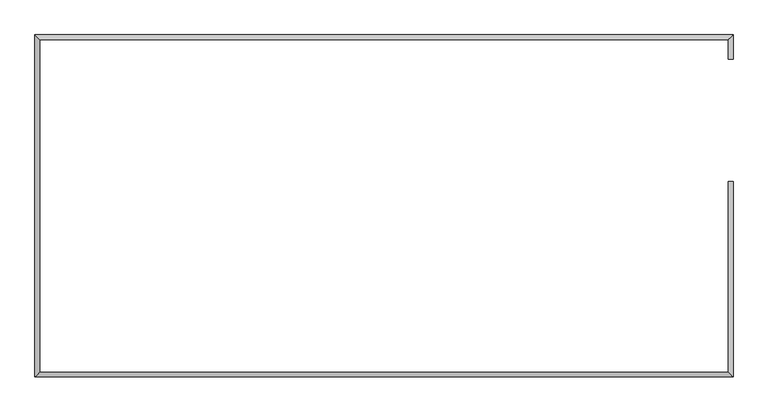
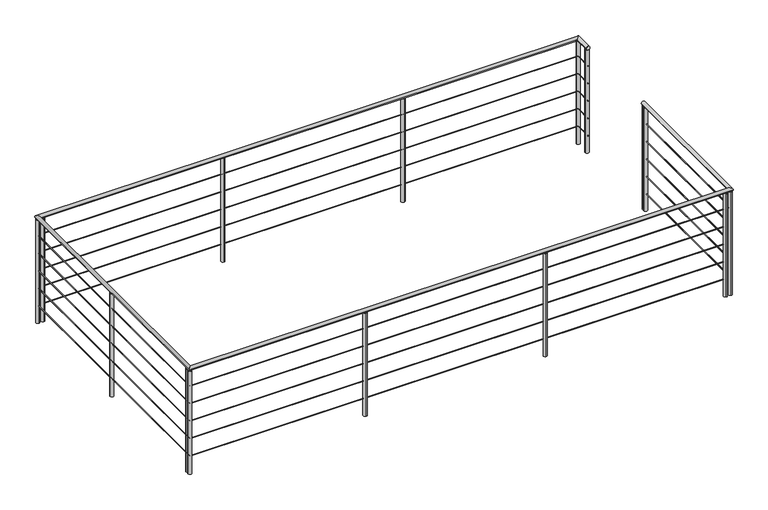
"""IFC4 building model written with IfcOpenShell, lengths in millimetres: railing geometry."""

from ifc_helpers import new_model, si_unit, point, frame, frame_2d, origin, place, context, project, spatial, circle_curve, ellipse_curve, trimmed, segment, composite_curve, outline, extrude, source, transform, mapped, element, save
from ifc_brep_helpers import plane_surface, cylinder_surface, advanced_brep


def railing_6d782d35(model_context):
    return source(origin(), model_context, "Body", "SolidModel", [
        advanced_brep(
        [(43124.2418862, 6156.4312128, 4200.0), (43164.2418862, 6196.4312128, 4200.0), (37274.2418862, 6196.4312128, 4200.0), (37314.2418862, 6156.4312128, 4200.0), (37274.2418862, 3306.4312128, 4200.0), (37314.2418862, 3346.4312128, 4200.0), (43164.2418862, 3306.4312128, 4200.0), (43124.2418862, 3346.4312128, 4200.0), (43124.2418862, 4957.0018587, 4200.0), (43164.2418862, 4957.0018587, 4200.0), (43124.2418862, 5991.4312128, 4200.0), (43164.2418862, 5991.4312128, 4200.0)],
        [
            (0, 1, ellipse_curve(frame((43144.2418862, 6176.4312128, 4200.0), z_axis=(-0.7071067811865465, 0.7071067811865487, 0.0), x_axis=(0.7071067811865485, 0.7071067811865466, 0.0)), 28.2842712, 20.0)),
            (1, 2),
            (2, 3, ellipse_curve(frame((37294.2418862, 6176.4312128, 4200.0), z_axis=(0.7071067811865491, 0.7071067811865458, 0.0), x_axis=(0.707106781186546, -0.7071067811865489, 0.0)), 28.2842712, 20.0)),
            (3, 0),
            (1, 0, ellipse_curve(frame((43144.2418862, 6176.4312128, 4200.0), z_axis=(-0.7071067811865465, 0.7071067811865487, 0.0), x_axis=(0.7071067811865485, 0.7071067811865466, 0.0)), 28.2842712, 20.0)),
            (3, 2, ellipse_curve(frame((37294.2418862, 6176.4312128, 4200.0), z_axis=(0.7071067811865491, 0.7071067811865458, 0.0), x_axis=(0.707106781186546, -0.7071067811865489, 0.0)), 28.2842712, 20.0)),
            (2, 4),
            (4, 5, ellipse_curve(frame((37294.2418862, 3326.4312128, 4200.0), z_axis=(-0.7071067811865458, 0.7071067811865492, 0.0), x_axis=(0.7071067811865492, 0.7071067811865458, 0.0)), 28.2842712, 20.0)),
            (5, 3),
            (5, 4, ellipse_curve(frame((37294.2418862, 3326.4312128, 4200.0), z_axis=(-0.7071067811865458, 0.7071067811865492, 0.0), x_axis=(0.7071067811865492, 0.7071067811865458, 0.0)), 28.2842712, 20.0)),
            (4, 6),
            (6, 7, ellipse_curve(frame((43144.2418862, 3326.4312128, 4200.0), z_axis=(-0.7071067811865487, -0.7071067811865464, 0.0), x_axis=(-0.7071067811865464, 0.7071067811865487, 0.0)), 28.2842712, 20.0)),
            (7, 5),
            (7, 6, ellipse_curve(frame((43144.2418862, 3326.4312128, 4200.0), z_axis=(-0.7071067811865487, -0.7071067811865464, 0.0), x_axis=(-0.7071067811865464, 0.7071067811865487, 0.0)), 28.2842712, 20.0)),
            (8, 9, circle_curve(frame((43144.2418862, 4957.0018587, 4200.0), z_axis=(0.0, 1.0, 0.0), x_axis=(1.0, 0.0, 0.0)), 20.0)),
            (9, 8, circle_curve(frame((43144.2418862, 4957.0018587, 4200.0), z_axis=(0.0, 1.0, 0.0), x_axis=(1.0, 0.0, 0.0)), 20.0)),
            (7, 8),
            (9, 6),
            (10, 11, circle_curve(frame((43144.2418862, 5991.4312128, 4200.0), z_axis=(0.0, -1.0, 0.0), x_axis=(1.0, 0.0, 0.0)), 20.0)),
            (11, 10, circle_curve(frame((43144.2418862, 5991.4312128, 4200.0), z_axis=(0.0, -1.0, 0.0), x_axis=(1.0, 0.0, 0.0)), 20.0)),
            (10, 0),
            (1, 11),
        ],
        [
            cylinder_surface(frame((43144.2418862, 6176.4312128, 4200.0), z_axis=(1.0, 0.0, 0.0), x_axis=(0.0, 1.0, 0.0)), 20.0),
            cylinder_surface(frame((37294.2418862, 6176.4312128, 4200.0), z_axis=(0.0, 1.0, 0.0), x_axis=(-1.0, 0.0, 0.0)), 20.0),
            cylinder_surface(frame((37294.2418862, 3326.4312128, 4200.0), z_axis=(-1.0, 0.0, 0.0), x_axis=(0.0, -1.0, 0.0)), 20.0),
            plane_surface(frame((43144.2418862, 4957.0018587, 4200.0), z_axis=(0.0, 1.0, 0.0), x_axis=(0.0, 0.0, 1.0))),
            cylinder_surface(frame((43144.2418862, 3326.4312128, 4200.0), z_axis=(0.0, -1.0, 0.0), x_axis=(1.0, 0.0, 0.0)), 20.0),
            plane_surface(frame((43144.2418862, 5991.4312128, 4200.0), z_axis=(0.0, -1.0, 0.0), x_axis=(0.0, 0.0, 1.0))),
            cylinder_surface(frame((43144.2418862, 5991.4312128, 4200.0), z_axis=(0.0, -1.0, 0.0), x_axis=(1.0, 0.0, 0.0)), 20.0),
        ],
        [
            (0, [[1, 2, 3, 4]]),
            (0, [[5, -4, 6, -2]]),
            (1, [[-3, 7, 8, 9]]),
            (1, [[-6, -9, 10, -7]]),
            (2, [[-8, 11, 12, 13]]),
            (2, [[-10, -13, 14, -11]]),
            (3, [[15, 16]]),
            (4, [[-14, 17, -16, 18]]),
            (4, [[-12, -18, -15, -17]]),
            (5, [[19, 20]]),
            (6, [[-19, 21, -5, 22]]),
            (6, [[-20, -22, -1, -21]]),
        ],
    ),
        advanced_brep(
        [(43147.2418862, 6179.4312128, 3997.0), (43141.2418862, 6173.4312128, 3997.0), (37297.2418862, 6173.4312128, 3997.0), (37291.2418862, 6179.4312128, 3997.0), (37297.2418862, 3329.4312128, 3997.0), (37291.2418862, 3323.4312128, 3997.0), (43141.2418862, 3329.4312128, 3997.0), (43147.2418862, 3323.4312128, 3997.0), (43141.2418862, 4957.0018587, 3997.0), (43147.2418862, 4957.0018587, 3997.0), (43141.2418862, 5991.4312128, 3997.0), (43147.2418862, 5991.4312128, 3997.0)],
        [
            (0, 1, ellipse_curve(frame((43144.2418862, 6176.4312128, 3997.0), z_axis=(-0.7071067811865465, 0.7071067811865487, 0.0), x_axis=(0.7071067811865485, 0.7071067811865466, 0.0)), 4.2426407, 3.0)),
            (1, 2),
            (2, 3, ellipse_curve(frame((37294.2418862, 6176.4312128, 3997.0), z_axis=(0.7071067811865491, 0.7071067811865458, 0.0), x_axis=(0.707106781186546, -0.7071067811865489, 0.0)), 4.2426407, 3.0)),
            (3, 0),
            (1, 0, ellipse_curve(frame((43144.2418862, 6176.4312128, 3997.0), z_axis=(-0.7071067811865465, 0.7071067811865487, 0.0), x_axis=(0.7071067811865485, 0.7071067811865466, 0.0)), 4.2426407, 3.0)),
            (3, 2, ellipse_curve(frame((37294.2418862, 6176.4312128, 3997.0), z_axis=(0.7071067811865491, 0.7071067811865458, 0.0), x_axis=(0.707106781186546, -0.7071067811865489, 0.0)), 4.2426407, 3.0)),
            (2, 4),
            (4, 5, ellipse_curve(frame((37294.2418862, 3326.4312128, 3997.0), z_axis=(-0.7071067811865458, 0.7071067811865492, 0.0), x_axis=(0.7071067811865492, 0.7071067811865458, 0.0)), 4.2426407, 3.0)),
            (5, 3),
            (5, 4, ellipse_curve(frame((37294.2418862, 3326.4312128, 3997.0), z_axis=(-0.7071067811865458, 0.7071067811865492, 0.0), x_axis=(0.7071067811865492, 0.7071067811865458, 0.0)), 4.2426407, 3.0)),
            (4, 6),
            (6, 7, ellipse_curve(frame((43144.2418862, 3326.4312128, 3997.0), z_axis=(-0.7071067811865487, -0.7071067811865464, 0.0), x_axis=(-0.7071067811865464, 0.7071067811865487, 0.0)), 4.2426407, 3.0)),
            (7, 5),
            (7, 6, ellipse_curve(frame((43144.2418862, 3326.4312128, 3997.0), z_axis=(-0.7071067811865487, -0.7071067811865464, 0.0), x_axis=(-0.7071067811865464, 0.7071067811865487, 0.0)), 4.2426407, 3.0)),
            (8, 9, circle_curve(frame((43144.2418862, 4957.0018587, 3997.0), z_axis=(0.0, 1.0, 0.0), x_axis=(1.0, 0.0, 0.0)), 3.0)),
            (9, 8, circle_curve(frame((43144.2418862, 4957.0018587, 3997.0), z_axis=(0.0, 1.0, 0.0), x_axis=(1.0, 0.0, 0.0)), 3.0)),
            (6, 8),
            (9, 7),
            (10, 11, circle_curve(frame((43144.2418862, 5991.4312128, 3997.0), z_axis=(0.0, -1.0, 0.0), x_axis=(1.0, 0.0, 0.0)), 3.0)),
            (11, 10, circle_curve(frame((43144.2418862, 5991.4312128, 3997.0), z_axis=(0.0, -1.0, 0.0), x_axis=(1.0, 0.0, 0.0)), 3.0)),
            (10, 1),
            (0, 11),
        ],
        [
            cylinder_surface(frame((43144.2418862, 6176.4312128, 3997.0), z_axis=(1.0, 0.0, 0.0), x_axis=(0.0, 1.0, 0.0)), 3.0),
            cylinder_surface(frame((37294.2418862, 6176.4312128, 3997.0), z_axis=(0.0, 1.0, 0.0), x_axis=(-1.0, 0.0, 0.0)), 3.0),
            cylinder_surface(frame((37294.2418862, 3326.4312128, 3997.0), z_axis=(-1.0, 0.0, 0.0), x_axis=(0.0, -1.0, 0.0)), 3.0),
            plane_surface(frame((43144.2418862, 4957.0018587, 4000.0), z_axis=(0.0, 1.0, 0.0), x_axis=(0.0, 0.0, 1.0))),
            cylinder_surface(frame((43144.2418862, 3326.4312128, 3997.0), z_axis=(0.0, -1.0, 0.0), x_axis=(1.0, 0.0, 0.0)), 3.0),
            plane_surface(frame((43144.2418862, 5991.4312128, 4000.0), z_axis=(0.0, -1.0, 0.0), x_axis=(0.0, 0.0, 1.0))),
            cylinder_surface(frame((43144.2418862, 5991.4312128, 3997.0), z_axis=(0.0, -1.0, 0.0), x_axis=(1.0, 0.0, 0.0)), 3.0),
        ],
        [
            (0, [[1, 2, 3, 4]]),
            (0, [[5, -4, 6, -2]]),
            (1, [[-3, 7, 8, 9]]),
            (1, [[-6, -9, 10, -7]]),
            (2, [[-8, 11, 12, 13]]),
            (2, [[-10, -13, 14, -11]]),
            (3, [[15, 16]]),
            (4, [[-12, 17, -16, 18]]),
            (4, [[-14, -18, -15, -17]]),
            (5, [[19, 20]]),
            (6, [[-19, 21, -1, 22]]),
            (6, [[-20, -22, -5, -21]]),
        ],
    ),
        advanced_brep(
        [(43147.2418862, 6179.4312128, 3797.0), (43141.2418862, 6173.4312128, 3797.0), (37297.2418862, 6173.4312128, 3797.0), (37291.2418862, 6179.4312128, 3797.0), (37297.2418862, 3329.4312128, 3797.0), (37291.2418862, 3323.4312128, 3797.0), (43141.2418862, 3329.4312128, 3797.0), (43147.2418862, 3323.4312128, 3797.0), (43141.2418862, 4957.0018587, 3797.0), (43147.2418862, 4957.0018587, 3797.0), (43141.2418862, 5991.4312128, 3797.0), (43147.2418862, 5991.4312128, 3797.0)],
        [
            (0, 1, ellipse_curve(frame((43144.2418862, 6176.4312128, 3797.0), z_axis=(-0.7071067811865465, 0.7071067811865487, 0.0), x_axis=(0.7071067811865485, 0.7071067811865466, 0.0)), 4.2426407, 3.0)),
            (1, 2),
            (2, 3, ellipse_curve(frame((37294.2418862, 6176.4312128, 3797.0), z_axis=(0.7071067811865491, 0.7071067811865458, 0.0), x_axis=(0.707106781186546, -0.7071067811865489, 0.0)), 4.2426407, 3.0)),
            (3, 0),
            (1, 0, ellipse_curve(frame((43144.2418862, 6176.4312128, 3797.0), z_axis=(-0.7071067811865465, 0.7071067811865487, 0.0), x_axis=(0.7071067811865485, 0.7071067811865466, 0.0)), 4.2426407, 3.0)),
            (3, 2, ellipse_curve(frame((37294.2418862, 6176.4312128, 3797.0), z_axis=(0.7071067811865491, 0.7071067811865458, 0.0), x_axis=(0.707106781186546, -0.7071067811865489, 0.0)), 4.2426407, 3.0)),
            (2, 4),
            (4, 5, ellipse_curve(frame((37294.2418862, 3326.4312128, 3797.0), z_axis=(-0.7071067811865458, 0.7071067811865492, 0.0), x_axis=(0.7071067811865492, 0.7071067811865458, 0.0)), 4.2426407, 3.0)),
            (5, 3),
            (5, 4, ellipse_curve(frame((37294.2418862, 3326.4312128, 3797.0), z_axis=(-0.7071067811865458, 0.7071067811865492, 0.0), x_axis=(0.7071067811865492, 0.7071067811865458, 0.0)), 4.2426407, 3.0)),
            (4, 6),
            (6, 7, ellipse_curve(frame((43144.2418862, 3326.4312128, 3797.0), z_axis=(-0.7071067811865487, -0.7071067811865464, 0.0), x_axis=(-0.7071067811865464, 0.7071067811865487, 0.0)), 4.2426407, 3.0)),
            (7, 5),
            (7, 6, ellipse_curve(frame((43144.2418862, 3326.4312128, 3797.0), z_axis=(-0.7071067811865487, -0.7071067811865464, 0.0), x_axis=(-0.7071067811865464, 0.7071067811865487, 0.0)), 4.2426407, 3.0)),
            (8, 9, circle_curve(frame((43144.2418862, 4957.0018587, 3797.0), z_axis=(0.0, 1.0, 0.0), x_axis=(1.0, 0.0, 0.0)), 3.0)),
            (9, 8, circle_curve(frame((43144.2418862, 4957.0018587, 3797.0), z_axis=(0.0, 1.0, 0.0), x_axis=(1.0, 0.0, 0.0)), 3.0)),
            (6, 8),
            (9, 7),
            (10, 11, circle_curve(frame((43144.2418862, 5991.4312128, 3797.0), z_axis=(0.0, -1.0, 0.0), x_axis=(1.0, 0.0, 0.0)), 3.0)),
            (11, 10, circle_curve(frame((43144.2418862, 5991.4312128, 3797.0), z_axis=(0.0, -1.0, 0.0), x_axis=(1.0, 0.0, 0.0)), 3.0)),
            (10, 1),
            (0, 11),
        ],
        [
            cylinder_surface(frame((43144.2418862, 6176.4312128, 3797.0), z_axis=(1.0, 0.0, 0.0), x_axis=(0.0, 1.0, 0.0)), 3.0),
            cylinder_surface(frame((37294.2418862, 6176.4312128, 3797.0), z_axis=(0.0, 1.0, 0.0), x_axis=(-1.0, 0.0, 0.0)), 3.0),
            cylinder_surface(frame((37294.2418862, 3326.4312128, 3797.0), z_axis=(-1.0, 0.0, 0.0), x_axis=(0.0, -1.0, 0.0)), 3.0),
            plane_surface(frame((43144.2418862, 4957.0018587, 3800.0), z_axis=(0.0, 1.0, 0.0), x_axis=(0.0, 0.0, 1.0))),
            cylinder_surface(frame((43144.2418862, 3326.4312128, 3797.0), z_axis=(0.0, -1.0, 0.0), x_axis=(1.0, 0.0, 0.0)), 3.0),
            plane_surface(frame((43144.2418862, 5991.4312128, 3800.0), z_axis=(0.0, -1.0, 0.0), x_axis=(0.0, 0.0, 1.0))),
            cylinder_surface(frame((43144.2418862, 5991.4312128, 3797.0), z_axis=(0.0, -1.0, 0.0), x_axis=(1.0, 0.0, 0.0)), 3.0),
        ],
        [
            (0, [[1, 2, 3, 4]]),
            (0, [[5, -4, 6, -2]]),
            (1, [[-3, 7, 8, 9]]),
            (1, [[-6, -9, 10, -7]]),
            (2, [[-8, 11, 12, 13]]),
            (2, [[-10, -13, 14, -11]]),
            (3, [[15, 16]]),
            (4, [[-12, 17, -16, 18]]),
            (4, [[-14, -18, -15, -17]]),
            (5, [[19, 20]]),
            (6, [[-19, 21, -1, 22]]),
            (6, [[-20, -22, -5, -21]]),
        ],
    ),
        advanced_brep(
        [(43147.2418862, 6179.4312128, 3597.0), (43141.2418862, 6173.4312128, 3597.0), (37297.2418862, 6173.4312128, 3597.0), (37291.2418862, 6179.4312128, 3597.0), (37297.2418862, 3329.4312128, 3597.0), (37291.2418862, 3323.4312128, 3597.0), (43141.2418862, 3329.4312128, 3597.0), (43147.2418862, 3323.4312128, 3597.0), (43141.2418862, 4957.0018587, 3597.0), (43147.2418862, 4957.0018587, 3597.0), (43141.2418862, 5991.4312128, 3597.0), (43147.2418862, 5991.4312128, 3597.0)],
        [
            (0, 1, ellipse_curve(frame((43144.2418862, 6176.4312128, 3597.0), z_axis=(-0.7071067811865465, 0.7071067811865487, 0.0), x_axis=(0.7071067811865485, 0.7071067811865466, 0.0)), 4.2426407, 3.0)),
            (1, 2),
            (2, 3, ellipse_curve(frame((37294.2418862, 6176.4312128, 3597.0), z_axis=(0.7071067811865491, 0.7071067811865458, 0.0), x_axis=(0.707106781186546, -0.7071067811865489, 0.0)), 4.2426407, 3.0)),
            (3, 0),
            (1, 0, ellipse_curve(frame((43144.2418862, 6176.4312128, 3597.0), z_axis=(-0.7071067811865465, 0.7071067811865487, 0.0), x_axis=(0.7071067811865485, 0.7071067811865466, 0.0)), 4.2426407, 3.0)),
            (3, 2, ellipse_curve(frame((37294.2418862, 6176.4312128, 3597.0), z_axis=(0.7071067811865491, 0.7071067811865458, 0.0), x_axis=(0.707106781186546, -0.7071067811865489, 0.0)), 4.2426407, 3.0)),
            (2, 4),
            (4, 5, ellipse_curve(frame((37294.2418862, 3326.4312128, 3597.0), z_axis=(-0.7071067811865458, 0.7071067811865492, 0.0), x_axis=(0.7071067811865492, 0.7071067811865458, 0.0)), 4.2426407, 3.0)),
            (5, 3),
            (5, 4, ellipse_curve(frame((37294.2418862, 3326.4312128, 3597.0), z_axis=(-0.7071067811865458, 0.7071067811865492, 0.0), x_axis=(0.7071067811865492, 0.7071067811865458, 0.0)), 4.2426407, 3.0)),
            (4, 6),
            (6, 7, ellipse_curve(frame((43144.2418862, 3326.4312128, 3597.0), z_axis=(-0.7071067811865487, -0.7071067811865464, 0.0), x_axis=(-0.7071067811865464, 0.7071067811865487, 0.0)), 4.2426407, 3.0)),
            (7, 5),
            (7, 6, ellipse_curve(frame((43144.2418862, 3326.4312128, 3597.0), z_axis=(-0.7071067811865487, -0.7071067811865464, 0.0), x_axis=(-0.7071067811865464, 0.7071067811865487, 0.0)), 4.2426407, 3.0)),
            (8, 9, circle_curve(frame((43144.2418862, 4957.0018587, 3597.0), z_axis=(0.0, 1.0, 0.0), x_axis=(1.0, 0.0, 0.0)), 3.0)),
            (9, 8, circle_curve(frame((43144.2418862, 4957.0018587, 3597.0), z_axis=(0.0, 1.0, 0.0), x_axis=(1.0, 0.0, 0.0)), 3.0)),
            (6, 8),
            (9, 7),
            (10, 11, circle_curve(frame((43144.2418862, 5991.4312128, 3597.0), z_axis=(0.0, -1.0, 0.0), x_axis=(1.0, 0.0, 0.0)), 3.0)),
            (11, 10, circle_curve(frame((43144.2418862, 5991.4312128, 3597.0), z_axis=(0.0, -1.0, 0.0), x_axis=(1.0, 0.0, 0.0)), 3.0)),
            (10, 1),
            (0, 11),
        ],
        [
            cylinder_surface(frame((43144.2418862, 6176.4312128, 3597.0), z_axis=(1.0, 0.0, 0.0), x_axis=(0.0, 1.0, 0.0)), 3.0),
            cylinder_surface(frame((37294.2418862, 6176.4312128, 3597.0), z_axis=(0.0, 1.0, 0.0), x_axis=(-1.0, 0.0, 0.0)), 3.0),
            cylinder_surface(frame((37294.2418862, 3326.4312128, 3597.0), z_axis=(-1.0, 0.0, 0.0), x_axis=(0.0, -1.0, 0.0)), 3.0),
            plane_surface(frame((43144.2418862, 4957.0018587, 3600.0), z_axis=(0.0, 1.0, 0.0), x_axis=(0.0, 0.0, 1.0))),
            cylinder_surface(frame((43144.2418862, 3326.4312128, 3597.0), z_axis=(0.0, -1.0, 0.0), x_axis=(1.0, 0.0, 0.0)), 3.0),
            plane_surface(frame((43144.2418862, 5991.4312128, 3600.0), z_axis=(0.0, -1.0, 0.0), x_axis=(0.0, 0.0, 1.0))),
            cylinder_surface(frame((43144.2418862, 5991.4312128, 3597.0), z_axis=(0.0, -1.0, 0.0), x_axis=(1.0, 0.0, 0.0)), 3.0),
        ],
        [
            (0, [[1, 2, 3, 4]]),
            (0, [[5, -4, 6, -2]]),
            (1, [[-3, 7, 8, 9]]),
            (1, [[-6, -9, 10, -7]]),
            (2, [[-8, 11, 12, 13]]),
            (2, [[-10, -13, 14, -11]]),
            (3, [[15, 16]]),
            (4, [[-12, 17, -16, 18]]),
            (4, [[-14, -18, -15, -17]]),
            (5, [[19, 20]]),
            (6, [[-19, 21, -1, 22]]),
            (6, [[-20, -22, -5, -21]]),
        ],
    ),
        advanced_brep(
        [(43147.2418862, 6179.4312128, 3397.0), (43141.2418862, 6173.4312128, 3397.0), (37297.2418862, 6173.4312128, 3397.0), (37291.2418862, 6179.4312128, 3397.0), (37297.2418862, 3329.4312128, 3397.0), (37291.2418862, 3323.4312128, 3397.0), (43141.2418862, 3329.4312128, 3397.0), (43147.2418862, 3323.4312128, 3397.0), (43141.2418862, 4957.0018587, 3397.0), (43147.2418862, 4957.0018587, 3397.0), (43141.2418862, 5991.4312128, 3397.0), (43147.2418862, 5991.4312128, 3397.0)],
        [
            (0, 1, ellipse_curve(frame((43144.2418862, 6176.4312128, 3397.0), z_axis=(-0.7071067811865465, 0.7071067811865487, 0.0), x_axis=(0.7071067811865485, 0.7071067811865466, 0.0)), 4.2426407, 3.0)),
            (1, 2),
            (2, 3, ellipse_curve(frame((37294.2418862, 6176.4312128, 3397.0), z_axis=(0.7071067811865491, 0.7071067811865458, 0.0), x_axis=(0.707106781186546, -0.7071067811865489, 0.0)), 4.2426407, 3.0)),
            (3, 0),
            (1, 0, ellipse_curve(frame((43144.2418862, 6176.4312128, 3397.0), z_axis=(-0.7071067811865465, 0.7071067811865487, 0.0), x_axis=(0.7071067811865485, 0.7071067811865466, 0.0)), 4.2426407, 3.0)),
            (3, 2, ellipse_curve(frame((37294.2418862, 6176.4312128, 3397.0), z_axis=(0.7071067811865491, 0.7071067811865458, 0.0), x_axis=(0.707106781186546, -0.7071067811865489, 0.0)), 4.2426407, 3.0)),
            (2, 4),
            (4, 5, ellipse_curve(frame((37294.2418862, 3326.4312128, 3397.0), z_axis=(-0.7071067811865458, 0.7071067811865492, 0.0), x_axis=(0.7071067811865492, 0.7071067811865458, 0.0)), 4.2426407, 3.0)),
            (5, 3),
            (5, 4, ellipse_curve(frame((37294.2418862, 3326.4312128, 3397.0), z_axis=(-0.7071067811865458, 0.7071067811865492, 0.0), x_axis=(0.7071067811865492, 0.7071067811865458, 0.0)), 4.2426407, 3.0)),
            (4, 6),
            (6, 7, ellipse_curve(frame((43144.2418862, 3326.4312128, 3397.0), z_axis=(-0.7071067811865487, -0.7071067811865464, 0.0), x_axis=(-0.7071067811865464, 0.7071067811865487, 0.0)), 4.2426407, 3.0)),
            (7, 5),
            (7, 6, ellipse_curve(frame((43144.2418862, 3326.4312128, 3397.0), z_axis=(-0.7071067811865487, -0.7071067811865464, 0.0), x_axis=(-0.7071067811865464, 0.7071067811865487, 0.0)), 4.2426407, 3.0)),
            (8, 9, circle_curve(frame((43144.2418862, 4957.0018587, 3397.0), z_axis=(0.0, 1.0, 0.0), x_axis=(1.0, 0.0, 0.0)), 3.0)),
            (9, 8, circle_curve(frame((43144.2418862, 4957.0018587, 3397.0), z_axis=(0.0, 1.0, 0.0), x_axis=(1.0, 0.0, 0.0)), 3.0)),
            (6, 8),
            (9, 7),
            (10, 11, circle_curve(frame((43144.2418862, 5991.4312128, 3397.0), z_axis=(0.0, -1.0, 0.0), x_axis=(1.0, 0.0, 0.0)), 3.0)),
            (11, 10, circle_curve(frame((43144.2418862, 5991.4312128, 3397.0), z_axis=(0.0, -1.0, 0.0), x_axis=(1.0, 0.0, 0.0)), 3.0)),
            (10, 1),
            (0, 11),
        ],
        [
            cylinder_surface(frame((43144.2418862, 6176.4312128, 3397.0), z_axis=(1.0, 0.0, 0.0), x_axis=(0.0, 1.0, 0.0)), 3.0),
            cylinder_surface(frame((37294.2418862, 6176.4312128, 3397.0), z_axis=(0.0, 1.0, 0.0), x_axis=(-1.0, 0.0, 0.0)), 3.0),
            cylinder_surface(frame((37294.2418862, 3326.4312128, 3397.0), z_axis=(-1.0, 0.0, 0.0), x_axis=(0.0, -1.0, 0.0)), 3.0),
            plane_surface(frame((43144.2418862, 4957.0018587, 3400.0), z_axis=(0.0, 1.0, 0.0), x_axis=(0.0, 0.0, 1.0))),
            cylinder_surface(frame((43144.2418862, 3326.4312128, 3397.0), z_axis=(0.0, -1.0, 0.0), x_axis=(1.0, 0.0, 0.0)), 3.0),
            plane_surface(frame((43144.2418862, 5991.4312128, 3400.0), z_axis=(0.0, -1.0, 0.0), x_axis=(0.0, 0.0, 1.0))),
            cylinder_surface(frame((43144.2418862, 5991.4312128, 3397.0), z_axis=(0.0, -1.0, 0.0), x_axis=(1.0, 0.0, 0.0)), 3.0),
        ],
        [
            (0, [[1, 2, 3, 4]]),
            (0, [[5, -4, 6, -2]]),
            (1, [[-3, 7, 8, 9]]),
            (1, [[-6, -9, 10, -7]]),
            (2, [[-8, 11, 12, 13]]),
            (2, [[-10, -13, 14, -11]]),
            (3, [[15, 16]]),
            (4, [[-12, 17, -16, 18]]),
            (4, [[-14, -18, -15, -17]]),
            (5, [[19, 20]]),
            (6, [[-19, 21, -1, 22]]),
            (6, [[-20, -22, -5, -21]]),
        ],
    ),
        advanced_brep(
        [(43147.2418862, 6179.4312128, 3197.0), (43141.2418862, 6173.4312128, 3197.0), (37297.2418862, 6173.4312128, 3197.0), (37291.2418862, 6179.4312128, 3197.0), (37297.2418862, 3329.4312128, 3197.0), (37291.2418862, 3323.4312128, 3197.0), (43141.2418862, 3329.4312128, 3197.0), (43147.2418862, 3323.4312128, 3197.0), (43141.2418862, 4957.0018587, 3197.0), (43147.2418862, 4957.0018587, 3197.0), (43141.2418862, 5991.4312128, 3197.0), (43147.2418862, 5991.4312128, 3197.0)],
        [
            (0, 1, ellipse_curve(frame((43144.2418862, 6176.4312128, 3197.0), z_axis=(-0.7071067811865465, 0.7071067811865487, 0.0), x_axis=(0.7071067811865485, 0.7071067811865466, 0.0)), 4.2426407, 3.0)),
            (1, 2),
            (2, 3, ellipse_curve(frame((37294.2418862, 6176.4312128, 3197.0), z_axis=(0.7071067811865491, 0.7071067811865458, 0.0), x_axis=(0.707106781186546, -0.7071067811865489, 0.0)), 4.2426407, 3.0)),
            (3, 0),
            (1, 0, ellipse_curve(frame((43144.2418862, 6176.4312128, 3197.0), z_axis=(-0.7071067811865465, 0.7071067811865487, 0.0), x_axis=(0.7071067811865485, 0.7071067811865466, 0.0)), 4.2426407, 3.0)),
            (3, 2, ellipse_curve(frame((37294.2418862, 6176.4312128, 3197.0), z_axis=(0.7071067811865491, 0.7071067811865458, 0.0), x_axis=(0.707106781186546, -0.7071067811865489, 0.0)), 4.2426407, 3.0)),
            (2, 4),
            (4, 5, ellipse_curve(frame((37294.2418862, 3326.4312128, 3197.0), z_axis=(-0.7071067811865458, 0.7071067811865492, 0.0), x_axis=(0.7071067811865492, 0.7071067811865458, 0.0)), 4.2426407, 3.0)),
            (5, 3),
            (5, 4, ellipse_curve(frame((37294.2418862, 3326.4312128, 3197.0), z_axis=(-0.7071067811865458, 0.7071067811865492, 0.0), x_axis=(0.7071067811865492, 0.7071067811865458, 0.0)), 4.2426407, 3.0)),
            (4, 6),
            (6, 7, ellipse_curve(frame((43144.2418862, 3326.4312128, 3197.0), z_axis=(-0.7071067811865487, -0.7071067811865464, 0.0), x_axis=(-0.7071067811865464, 0.7071067811865487, 0.0)), 4.2426407, 3.0)),
            (7, 5),
            (7, 6, ellipse_curve(frame((43144.2418862, 3326.4312128, 3197.0), z_axis=(-0.7071067811865487, -0.7071067811865464, 0.0), x_axis=(-0.7071067811865464, 0.7071067811865487, 0.0)), 4.2426407, 3.0)),
            (8, 9, circle_curve(frame((43144.2418862, 4957.0018587, 3197.0), z_axis=(0.0, 1.0, 0.0), x_axis=(1.0, 0.0, 0.0)), 3.0)),
            (9, 8, circle_curve(frame((43144.2418862, 4957.0018587, 3197.0), z_axis=(0.0, 1.0, 0.0), x_axis=(1.0, 0.0, 0.0)), 3.0)),
            (6, 8),
            (9, 7),
            (10, 11, circle_curve(frame((43144.2418862, 5991.4312128, 3197.0), z_axis=(0.0, -1.0, 0.0), x_axis=(1.0, 0.0, 0.0)), 3.0)),
            (11, 10, circle_curve(frame((43144.2418862, 5991.4312128, 3197.0), z_axis=(0.0, -1.0, 0.0), x_axis=(1.0, 0.0, 0.0)), 3.0)),
            (10, 1),
            (0, 11),
        ],
        [
            cylinder_surface(frame((43144.2418862, 6176.4312128, 3197.0), z_axis=(1.0, 0.0, 0.0), x_axis=(0.0, 1.0, 0.0)), 3.0),
            cylinder_surface(frame((37294.2418862, 6176.4312128, 3197.0), z_axis=(0.0, 1.0, 0.0), x_axis=(-1.0, 0.0, 0.0)), 3.0),
            cylinder_surface(frame((37294.2418862, 3326.4312128, 3197.0), z_axis=(-1.0, 0.0, 0.0), x_axis=(0.0, -1.0, 0.0)), 3.0),
            plane_surface(frame((43144.2418862, 4957.0018587, 3200.0), z_axis=(0.0, 1.0, 0.0), x_axis=(0.0, 0.0, 1.0))),
            cylinder_surface(frame((43144.2418862, 3326.4312128, 3197.0), z_axis=(0.0, -1.0, 0.0), x_axis=(1.0, 0.0, 0.0)), 3.0),
            plane_surface(frame((43144.2418862, 5991.4312128, 3200.0), z_axis=(0.0, -1.0, 0.0), x_axis=(0.0, 0.0, 1.0))),
            cylinder_surface(frame((43144.2418862, 5991.4312128, 3197.0), z_axis=(0.0, -1.0, 0.0), x_axis=(1.0, 0.0, 0.0)), 3.0),
        ],
        [
            (0, [[1, 2, 3, 4]]),
            (0, [[5, -4, 6, -2]]),
            (1, [[-3, 7, 8, 9]]),
            (1, [[-6, -9, 10, -7]]),
            (2, [[-8, 11, 12, 13]]),
            (2, [[-10, -13, 14, -11]]),
            (3, [[15, 16]]),
            (4, [[-12, 17, -16, 18]]),
            (4, [[-14, -18, -15, -17]]),
            (5, [[19, 20]]),
            (6, [[-19, 21, -1, 22]]),
            (6, [[-20, -22, -5, -21]]),
        ],
    ),
        extrude(outline(composite_curve([segment(trimmed(circle_curve(frame_2d((43144.2418862, 4912.9323818)), 20.0), [point((43124.2418862, 4912.9323818))], [point((43164.2418862, 4912.9323818))], False, "CARTESIAN"), True, "CONTINUOUS"), segment(trimmed(circle_curve(frame_2d((43144.2418862, 4912.9323818)), 20.0), [point((43164.2418862, 4912.9323818))], [point((43124.2418862, 4912.9323818))], False, "CARTESIAN"), True, "CONTINUOUS")], self_intersect=False)), frame((0.0, 0.0, 3000.0), z_axis=(0.0, 0.0, 1.0), x_axis=(1.0, 0.0, 0.0)), (0.0, 0.0, 1.0), 1180.0),
        extrude(outline(composite_curve([segment(trimmed(circle_curve(frame_2d((43091.5391835, 3326.4312128)), 20.0), [point((43091.5391835, 3346.4312128))], [point((43091.5391835, 3306.4312128))], False, "CARTESIAN"), True, "CONTINUOUS"), segment(trimmed(circle_curve(frame_2d((43091.5391835, 3326.4312128)), 20.0), [point((43091.5391835, 3306.4312128))], [point((43091.5391835, 3346.4312128))], False, "CARTESIAN"), True, "CONTINUOUS")], self_intersect=False)), frame((0.0, 0.0, 3000.0), z_axis=(0.0, 0.0, 1.0), x_axis=(1.0, 0.0, 0.0)), (0.0, 0.0, 1.0), 1180.0),
        extrude(outline(composite_curve([segment(trimmed(circle_curve(frame_2d((41141.5391835, 3326.4312128)), 20.0), [point((41141.5391835, 3346.4312128))], [point((41141.5391835, 3306.4312128))], False, "CARTESIAN"), True, "CONTINUOUS"), segment(trimmed(circle_curve(frame_2d((41141.5391835, 3326.4312128)), 20.0), [point((41141.5391835, 3306.4312128))], [point((41141.5391835, 3346.4312128))], False, "CARTESIAN"), True, "CONTINUOUS")], self_intersect=False)), frame((0.0, 0.0, 3000.0), z_axis=(0.0, 0.0, 1.0), x_axis=(1.0, 0.0, 0.0)), (0.0, 0.0, 1.0), 1180.0),
        extrude(outline(composite_curve([segment(trimmed(circle_curve(frame_2d((39191.5391835, 3326.4312128)), 20.0), [point((39191.5391835, 3346.4312128))], [point((39191.5391835, 3306.4312128))], False, "CARTESIAN"), True, "CONTINUOUS"), segment(trimmed(circle_curve(frame_2d((39191.5391835, 3326.4312128)), 20.0), [point((39191.5391835, 3306.4312128))], [point((39191.5391835, 3346.4312128))], False, "CARTESIAN"), True, "CONTINUOUS")], self_intersect=False)), frame((0.0, 0.0, 3000.0), z_axis=(0.0, 0.0, 1.0), x_axis=(1.0, 0.0, 0.0)), (0.0, 0.0, 1.0), 1180.0),
        extrude(outline(composite_curve([segment(trimmed(circle_curve(frame_2d((37294.2418862, 3364.9447263)), 20.0), [point((37314.2418862, 3364.9447263))], [point((37274.2418862, 3364.9447263))], False, "CARTESIAN"), True, "CONTINUOUS"), segment(trimmed(circle_curve(frame_2d((37294.2418862, 3364.9447263)), 20.0), [point((37274.2418862, 3364.9447263))], [point((37314.2418862, 3364.9447263))], False, "CARTESIAN"), True, "CONTINUOUS")], self_intersect=False)), frame((0.0, 0.0, 3000.0), z_axis=(0.0, 0.0, 1.0), x_axis=(1.0, 0.0, 0.0)), (0.0, 0.0, 1.0), 1180.0),
        extrude(outline(composite_curve([segment(trimmed(circle_curve(frame_2d((37294.2418862, 4789.9447263)), 20.0), [point((37314.2418862, 4789.9447263))], [point((37274.2418862, 4789.9447263))], False, "CARTESIAN"), True, "CONTINUOUS"), segment(trimmed(circle_curve(frame_2d((37294.2418862, 4789.9447263)), 20.0), [point((37274.2418862, 4789.9447263))], [point((37314.2418862, 4789.9447263))], False, "CARTESIAN"), True, "CONTINUOUS")], self_intersect=False)), frame((0.0, 0.0, 3000.0), z_axis=(0.0, 0.0, 1.0), x_axis=(1.0, 0.0, 0.0)), (0.0, 0.0, 1.0), 1180.0),
        extrude(outline(composite_curve([segment(trimmed(circle_curve(frame_2d((37346.9445889, 6176.4312128)), 20.0), [point((37346.9445889, 6156.4312128))], [point((37346.9445889, 6196.4312128))], False, "CARTESIAN"), True, "CONTINUOUS"), segment(trimmed(circle_curve(frame_2d((37346.9445889, 6176.4312128)), 20.0), [point((37346.9445889, 6196.4312128))], [point((37346.9445889, 6156.4312128))], False, "CARTESIAN"), True, "CONTINUOUS")], self_intersect=False)), frame((0.0, 0.0, 3000.0), z_axis=(0.0, 0.0, 1.0), x_axis=(1.0, 0.0, 0.0)), (0.0, 0.0, 1.0), 1180.0),
        extrude(outline(composite_curve([segment(trimmed(circle_curve(frame_2d((39296.9445889, 6176.4312128)), 20.0), [point((39296.9445889, 6156.4312128))], [point((39296.9445889, 6196.4312128))], False, "CARTESIAN"), True, "CONTINUOUS"), segment(trimmed(circle_curve(frame_2d((39296.9445889, 6176.4312128)), 20.0), [point((39296.9445889, 6196.4312128))], [point((39296.9445889, 6156.4312128))], False, "CARTESIAN"), True, "CONTINUOUS")], self_intersect=False)), frame((0.0, 0.0, 3000.0), z_axis=(0.0, 0.0, 1.0), x_axis=(1.0, 0.0, 0.0)), (0.0, 0.0, 1.0), 1180.0),
        extrude(outline(composite_curve([segment(trimmed(circle_curve(frame_2d((41246.9445889, 6176.4312128)), 20.0), [point((41246.9445889, 6156.4312128))], [point((41246.9445889, 6196.4312128))], False, "CARTESIAN"), True, "CONTINUOUS"), segment(trimmed(circle_curve(frame_2d((41246.9445889, 6176.4312128)), 20.0), [point((41246.9445889, 6196.4312128))], [point((41246.9445889, 6156.4312128))], False, "CARTESIAN"), True, "CONTINUOUS")], self_intersect=False)), frame((0.0, 0.0, 3000.0), z_axis=(0.0, 0.0, 1.0), x_axis=(1.0, 0.0, 0.0)), (0.0, 0.0, 1.0), 1180.0),
        extrude(outline(composite_curve([segment(trimmed(circle_curve(frame_2d((43144.2418862, 3326.4312128)), 20.0), [point((43144.2418862, 3346.4312128))], [point((43144.2418862, 3306.4312128))], False, "CARTESIAN"), True, "CONTINUOUS"), segment(trimmed(circle_curve(frame_2d((43144.2418862, 3326.4312128)), 20.0), [point((43144.2418862, 3306.4312128))], [point((43144.2418862, 3346.4312128))], False, "CARTESIAN"), True, "CONTINUOUS")], self_intersect=False)), frame((0.0, 0.0, 3000.0), z_axis=(0.0, 0.0, 1.0), x_axis=(1.0, 0.0, 0.0)), (0.0, 0.0, 1.0), 1180.0),
        extrude(outline(composite_curve([segment(trimmed(circle_curve(frame_2d((37294.2418862, 3326.4312128)), 20.0), [point((37314.2418862, 3326.4312128))], [point((37274.2418862, 3326.4312128))], False, "CARTESIAN"), True, "CONTINUOUS"), segment(trimmed(circle_curve(frame_2d((37294.2418862, 3326.4312128)), 20.0), [point((37274.2418862, 3326.4312128))], [point((37314.2418862, 3326.4312128))], False, "CARTESIAN"), True, "CONTINUOUS")], self_intersect=False)), frame((0.0, 0.0, 3000.0), z_axis=(0.0, 0.0, 1.0), x_axis=(1.0, 0.0, 0.0)), (0.0, 0.0, 1.0), 1180.0),
        extrude(outline(composite_curve([segment(trimmed(circle_curve(frame_2d((37294.2418862, 6176.4312128)), 20.0), [point((37294.2418862, 6156.4312128))], [point((37294.2418862, 6196.4312128))], False, "CARTESIAN"), True, "CONTINUOUS"), segment(trimmed(circle_curve(frame_2d((37294.2418862, 6176.4312128)), 20.0), [point((37294.2418862, 6196.4312128))], [point((37294.2418862, 6156.4312128))], False, "CARTESIAN"), True, "CONTINUOUS")], self_intersect=False)), frame((0.0, 0.0, 3000.0), z_axis=(0.0, 0.0, 1.0), x_axis=(1.0, 0.0, 0.0)), (0.0, 0.0, 1.0), 1180.0),
        extrude(outline(composite_curve([segment(trimmed(circle_curve(frame_2d((43144.2418862, 6176.4312128)), 20.0), [point((43124.2418862, 6176.4312128))], [point((43164.2418862, 6176.4312128))], False, "CARTESIAN"), True, "CONTINUOUS"), segment(trimmed(circle_curve(frame_2d((43144.2418862, 6176.4312128)), 20.0), [point((43164.2418862, 6176.4312128))], [point((43124.2418862, 6176.4312128))], False, "CARTESIAN"), True, "CONTINUOUS")], self_intersect=False)), frame((0.0, 0.0, 3000.0), z_axis=(0.0, 0.0, 1.0), x_axis=(1.0, 0.0, 0.0)), (0.0, 0.0, 1.0), 1180.0),
        extrude(outline(composite_curve([segment(trimmed(circle_curve(frame_2d((43144.2418862, 4937.0018587)), 20.0), [point((43124.2418862, 4937.0018587))], [point((43164.2418862, 4937.0018587))], False, "CARTESIAN"), True, "CONTINUOUS"), segment(trimmed(circle_curve(frame_2d((43144.2418862, 4937.0018587)), 20.0), [point((43164.2418862, 4937.0018587))], [point((43124.2418862, 4937.0018587))], False, "CARTESIAN"), True, "CONTINUOUS")], self_intersect=False)), frame((0.0, 0.0, 3000.0), z_axis=(0.0, 0.0, 1.0), x_axis=(1.0, 0.0, 0.0)), (0.0, 0.0, 1.0), 1180.0),
        extrude(outline(composite_curve([segment(trimmed(circle_curve(frame_2d((43144.2418862, 6011.4312128)), 20.0), [point((43124.2418862, 6011.4312128))], [point((43164.2418862, 6011.4312128))], False, "CARTESIAN"), True, "CONTINUOUS"), segment(trimmed(circle_curve(frame_2d((43144.2418862, 6011.4312128)), 20.0), [point((43164.2418862, 6011.4312128))], [point((43124.2418862, 6011.4312128))], False, "CARTESIAN"), True, "CONTINUOUS")], self_intersect=False)), frame((0.0, 0.0, 3000.0), z_axis=(0.0, 0.0, 1.0), x_axis=(1.0, 0.0, 0.0)), (0.0, 0.0, 1.0), 1180.0),
    ])


if __name__ == "__main__":
    model = new_model("IFC4")
    model_context = context("Model", 3, world=origin())
    ifc_project = project(units=[si_unit("LENGTHUNIT", "METRE", prefix="MILLI")], contexts=[model_context])
    site = spatial("IfcSite", under=ifc_project)
    building = spatial("IfcBuilding", under=site)
    placement = place(None, origin())
    railing_shape = railing_6d782d35(model_context)
    element("IfcRailing", 1, at=placement, inside=building, context=model_context, shape_type="MappedRepresentation", body=[
        mapped(railing_shape, transform((0.0, 0.0, 0.0), x_axis=(1.0, 0.0, 0.0), y_axis=(0.0, 1.0, 0.0), z_axis=(0.0, 0.0, 1.0))),
    ])
    save(model, "model.ifc")
